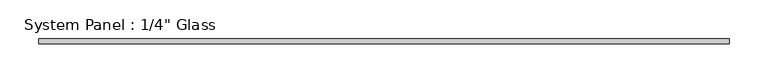
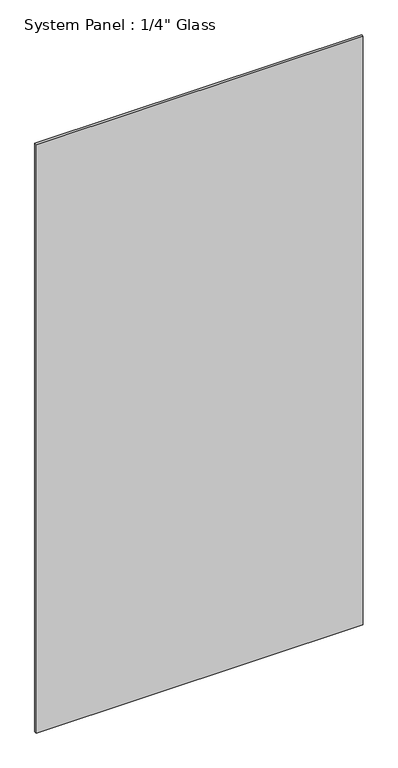
"""IFC4 building model written with IfcOpenShell, lengths in millimetres: plate geometry."""

from ifc_helpers import new_model, si_unit, origin, origin_with_axes, place, context, project, spatial, polyline, outline, extrude, source, transform, mapped, element, save


def plate_73bd45b5(model_context):
    return source(origin(), model_context, "Body", "SweptSolid", [
        extrude(outline(polyline([(445.7490395, -3.175), (-445.7490395, -3.175), (-445.7490395, 3.175), (445.7490395, 3.175), (445.7490395, -3.175)])), origin_with_axes(), (0.0, 0.0, 1.0), 1695.45),
    ])


if __name__ == "__main__":
    model = new_model("IFC4")
    model_context = context("Model", 3, world=origin())
    ifc_project = project(units=[si_unit("LENGTHUNIT", "METRE", prefix="MILLI")], contexts=[model_context])
    site = spatial("IfcSite", under=ifc_project)
    building = spatial("IfcBuilding", under=site)
    placement = place(None, origin())
    plate_shape = plate_73bd45b5(model_context)
    element("IfcPlate", 1, ObjectType="System Panel : 1/4\" Glass", at=placement, inside=building, context=model_context, shape_type="MappedRepresentation", body=[
        mapped(plate_shape, transform((0.0, 0.0, 0.0), x_axis=(1.0, 0.0, 0.0), y_axis=(0.0, 1.0, 0.0), z_axis=(0.0, 0.0, 1.0))),
    ])
    save(model, "model.ifc")
